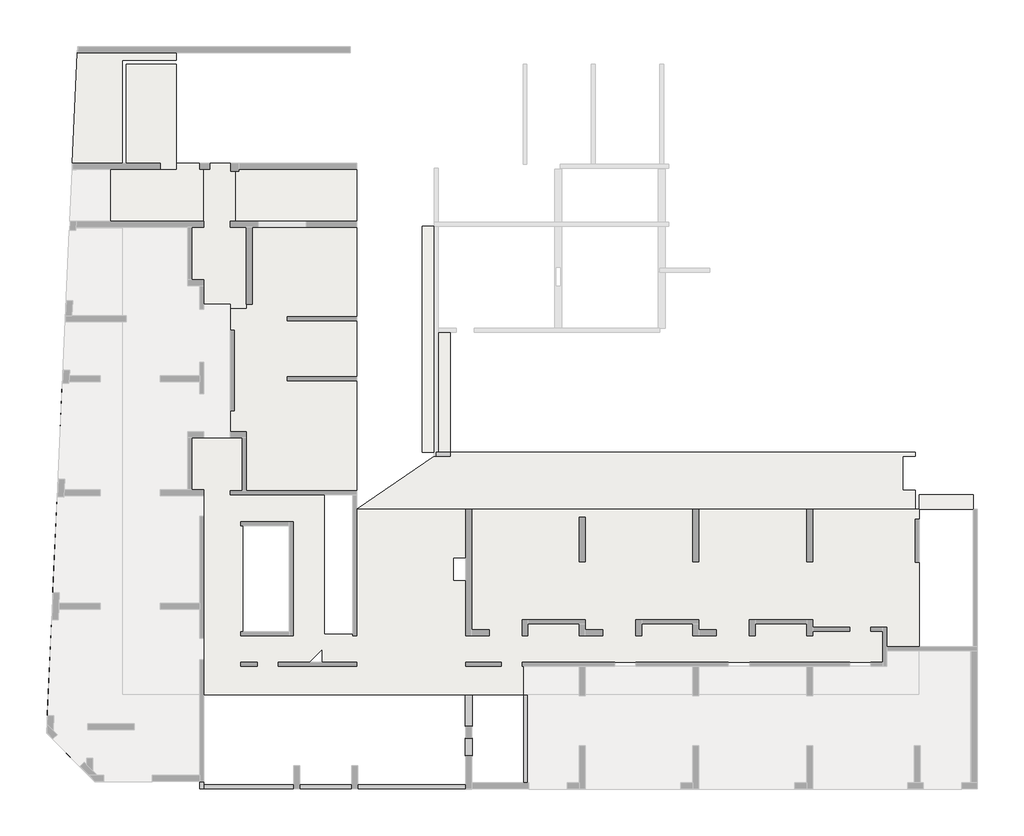
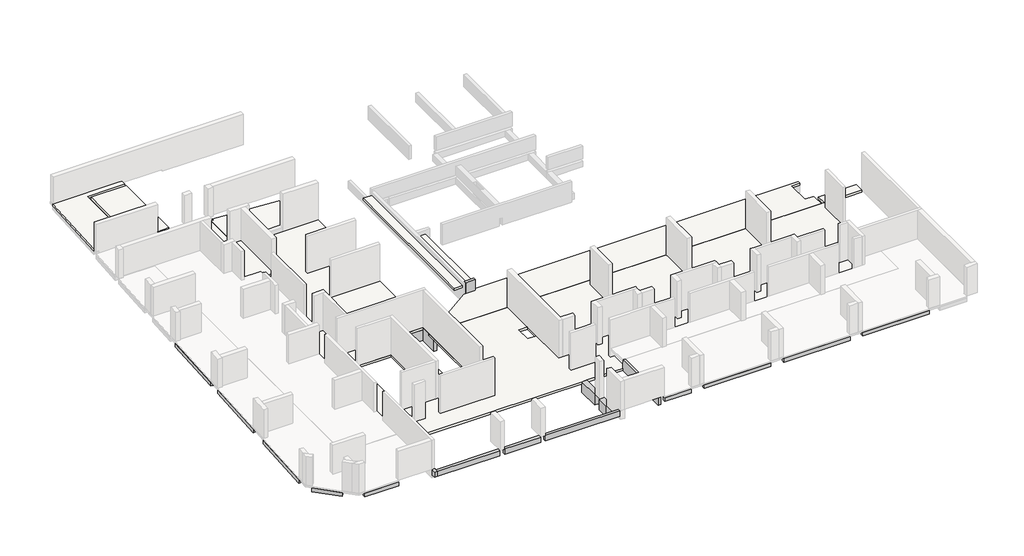
# One storey, part 3 of 4: 24 beams, 9 slabs.
"""IFC4 building model written with IfcOpenShell, lengths in millimetres."""

from ifc_helpers import new_model, si_unit, frame, origin, place, context, project, spatial, polyline, outline, extrude, faceted_brep, element, save

model = new_model("IFC4")

# Units and contexts
model_context = context("Model", 3, world=origin())
ifc_project = project(units=[si_unit("LENGTHUNIT", "METRE", prefix="MILLI")], contexts=[model_context])

# Site, building, storey
site = spatial("IfcSite", under=ifc_project)
building = spatial("IfcBuilding", under=site)
storey = spatial("IfcBuildingStorey", under=building, Elevation=-20.0)

# Beams
placement = place(None, origin())
element("IfcBeam", 1, ObjectType="V. 20/40", at=placement, inside=storey, context=model_context, shape_type="SweptSolid", body=[
    extrude(outline(polyline([(-1485.6912908, -19244.0672499), (-1485.6912908, -19444.0672499), (-6230.6912908, -19444.0672499), (-6230.6912908, -19244.0672499), (-1485.6912908, -19244.0672499)])), frame((0.0, 0.0, -420.0), z_axis=(0.0, 0.0, 1.0), x_axis=(1.0, 0.0, 0.0)), (0.0, 0.0, 1.0), 280.0),
])
element("IfcBeam", 2, ObjectType="V. 20/40", at=placement, inside=storey, context=model_context, shape_type="SweptSolid", body=[
    extrude(outline(polyline([(-7155.6912908, -19244.0672499), (-7155.6912908, -19444.0672499), (-11920.6912908, -19444.0672499), (-11920.6912908, -19244.0672499), (-7155.6912908, -19244.0672499)])), frame((0.0, 0.0, -420.0), z_axis=(0.0, 0.0, 1.0), x_axis=(1.0, 0.0, 0.0)), (0.0, 0.0, 1.0), 280.0),
])
element("IfcBeam", 3, ObjectType="V. 20/40", at=placement, inside=storey, context=model_context, shape_type="SweptSolid", body=[
    extrude(outline(polyline([(-12845.6912908, -19244.0672499), (-12845.6912908, -19444.0672499), (-17610.6912908, -19444.0672499), (-17610.6912908, -19244.0672499), (-12845.6912908, -19244.0672499)])), frame((0.0, 0.0, -420.0), z_axis=(0.0, 0.0, 1.0), x_axis=(1.0, 0.0, 0.0)), (0.0, 0.0, 1.0), 280.0),
])
element("IfcBeam", 4, ObjectType="V. 20/40", at=placement, inside=storey, context=model_context, shape_type="SweptSolid", body=[
    extrude(outline(polyline([(-18535.6912908, -19244.0672499), (-18535.6912908, -19444.0672499), (-20455.6912908, -19444.0672499), (-20455.6912908, -19244.0672499), (-18535.6912908, -19244.0672499)])), frame((0.0, 0.0, -420.0), z_axis=(0.0, 0.0, 1.0), x_axis=(1.0, 0.0, 0.0)), (0.0, 0.0, 1.0), 280.0),
])
element("IfcBeam", 5, ObjectType="V. 20/40", at=placement, inside=storey, context=model_context, shape_type="SweptSolid", body=[
    extrude(outline(polyline([(-39315.6912908, -18874.0672499), (-39315.6912908, -19074.0672499), (-41735.6912908, -19074.0672499), (-41735.6912908, -18874.0672499), (-39315.6912908, -18874.0672499)])), frame((0.0, 0.0, -420.0), z_axis=(0.0, 0.0, 1.0), x_axis=(1.0, 0.0, 0.0)), (0.0, 0.0, 1.0), 280.0),
])
element("IfcBeam", 6, ObjectType="V. 20/40", at=placement, inside=storey, context=model_context, shape_type="SweptSolid", body=[
    extrude(outline(polyline([(-44296.3150093, -16937.9539561), (-44154.0339752, -16797.3975357), (-42790.6438426, -18177.5163334), (-42932.9248767, -18318.0727539), (-44296.3150093, -16937.9539561)])), frame((0.0, 0.0, -420.0), z_axis=(0.0, 0.0, 1.0), x_axis=(1.0, 0.0, 0.0)), (0.0, 0.0, 1.0), 280.0),
])
element("IfcBeam", 7, ObjectType="V. 20/40", at=placement, inside=storey, context=model_context, shape_type="SweptSolid", body=[
    extrude(outline(polyline([(-44356.3664756, -15745.9562418), (-44556.1609952, -15736.892581), (-44339.0863176, -10951.8138372), (-44139.291798, -10960.877498), (-44356.3664756, -15745.9562418)])), frame((0.0, 0.0, -420.0), z_axis=(0.0, 0.0, 1.0), x_axis=(1.0, 0.0, 0.0)), (0.0, 0.0, 1.0), 280.0),
])
element("IfcBeam", 8, ObjectType="V. 20/40", at=placement, inside=storey, context=model_context, shape_type="SweptSolid", body=[
    extrude(outline(polyline([(-44077.6589042, -9602.2747649), (-44277.4534238, -9593.2111041), (-44060.3787462, -4808.1323603), (-43860.5842266, -4817.1960211), (-44077.6589042, -9602.2747649)])), frame((0.0, 0.0, -420.0), z_axis=(0.0, 0.0, 1.0), x_axis=(1.0, 0.0, 0.0)), (0.0, 0.0, 1.0), 280.0),
])
element("IfcBeam", 9, ObjectType="V. 20/40", at=placement, inside=storey, context=model_context, shape_type="SweptSolid", body=[
    extrude(outline(polyline([(-43819.5711612, -3913.1258201), (-44019.3656808, -3904.0621592), (-43802.2910033, 881.0165846), (-43602.4964837, 871.9529237), (-43819.5711612, -3913.1258201)])), frame((0.0, 0.0, -420.0), z_axis=(0.0, 0.0, 1.0), x_axis=(1.0, 0.0, 0.0)), (0.0, 0.0, 1.0), 280.0),
])
element("IfcBeam", 10, ObjectType="V. 20/40", at=placement, inside=storey, context=model_context, shape_type="Brep", body=[
    faceted_brep([(-36735.6912908, -19074.0672499, -20.0), (-36735.6912908, -19074.0672499, -420.0), (-36935.6912908, -19074.0672499, -420.0), (-36935.6912908, -19074.0672499, -20.0), (-36735.6912908, -19219.0672499, -20.0), (-36735.6912908, -19419.0672499, -20.0), (-36735.6912908, -19419.0672499, -420.0), (-36735.6912908, -19219.0672499, -420.0), (-36935.6912908, -19419.0672499, -420.0), (-36935.6912908, -19419.0672499, -20.0)], [[[0, 1, 2, 3]], [[1, 0, 4, 5, 6, 7]], [[2, 1, 7, 6, 8]], [[3, 2, 8, 9]], [[0, 3, 9, 5, 4]], [[6, 5, 9, 8]]]),
])
element("IfcBeam", 11, ObjectType="V. 20/40", at=placement, inside=storey, context=model_context, shape_type="SweptSolid", body=[
    extrude(outline(polyline([(-23650.6912908, -19219.0672499), (-23650.6912908, -19419.0672499), (-28990.6912908, -19419.0672499), (-28990.6912908, -19219.0672499), (-23650.6912908, -19219.0672499)])), frame((0.0, 0.0, -420.0), z_axis=(0.0, 0.0, 1.0), x_axis=(1.0, 0.0, 0.0)), (0.0, 0.0, 1.0), 400.0),
    extrude(outline(polyline([(-36735.6912908, -19419.0672499), (-36735.6912908, -19219.0672499), (-32260.6912908, -19219.0672499), (-32260.6912908, -19419.0672499), (-36735.6912908, -19419.0672499)])), frame((0.0, 0.0, -420.0), z_axis=(0.0, 0.0, 1.0), x_axis=(1.0, 0.0, 0.0)), (0.0, 0.0, 1.0), 400.0),
    extrude(outline(polyline([(-29340.6912908, -19219.0672499), (-29340.6912908, -19419.0672499), (-31910.6912908, -19419.0672499), (-31910.6912908, -19219.0672499), (-29340.6912908, -19219.0672499)])), frame((0.0, 0.0, -420.0), z_axis=(0.0, 0.0, 1.0), x_axis=(1.0, 0.0, 0.0)), (0.0, 0.0, 1.0), 400.0),
])
element("IfcBeam", 12, ObjectType="V. 20/80", at=placement, inside=storey, context=model_context, shape_type="Brep", body=[
    faceted_brep([(-36735.6912908, 360.9327501, -820.0), (-36735.6912908, 360.9327501, -180.0), (-36735.6912908, -1544.0672499, -180.0), (-36735.6912908, -1544.0672499, -670.0), (-36735.6912908, -1544.0672499, -820.0), (-36935.6912908, -1544.0672499, -820.0), (-36935.6912908, 360.9327501, -820.0), (-36935.6912908, 360.9327501, -180.0), (-36935.6912908, -1544.0672499, -670.0), (-36935.6912908, -1544.0672499, -180.0)], [[[0, 1, 2, 3, 4]], [[4, 5, 6, 0]], [[7, 6, 5, 8, 9]], [[9, 2, 1, 7]], [[1, 0, 6, 7]], [[5, 4, 3, 2, 9, 8]]]),
])
element("IfcBeam", 13, ObjectType="V. 20/81", at=placement, inside=storey, context=model_context, shape_type="Brep", body=[
    faceted_brep([(-20715.6912908, -14699.0672499, -20.0), (-20715.6912908, -14699.0672499, -180.0), (-20715.6912908, -14699.0672499, -830.0), (-20715.6912908, -19094.0672499, -830.0), (-20715.6912908, -19094.0672499, -20.0), (-20515.6912908, -14699.0672499, -830.0), (-20515.6912908, -19094.0672499, -830.0), (-20515.6912908, -14699.0672499, -670.0), (-20515.6912908, -14699.0672499, -140.0), (-20515.6912908, -14699.0672499, -20.0), (-20515.6912908, -19094.0672499, -20.0), (-20515.6912908, -19094.0672499, -140.0)], [[[0, 1, 2, 3, 4]], [[2, 5, 6, 3]], [[5, 7, 8, 9, 10, 11, 6]], [[9, 0, 4, 10]], [[0, 9, 8, 7, 5, 2, 1]], [[4, 3, 6, 11, 10]]]),
])
element("IfcBeam", 14, ObjectType="V. 20/98", at=placement, inside=storey, context=model_context, shape_type="Brep", body=[
    faceted_brep([(-30195.6912908, -4489.0672499, -1650.0), (-30195.6912908, -4689.0672499, -1650.0), (-30195.6912908, -4689.0672499, -830.0), (-30195.6912908, -4489.0672499, -830.0), (-29265.6912908, -4689.0672499, -1650.0), (-29065.6912908, -4689.0672499, -1650.0), (-29065.6912908, -4689.0672499, -830.0), (-29365.6912908, -4489.0672499, -1650.0), (-29065.6912908, -4489.0672499, -1650.0), (-29365.6912908, -4489.0672499, -830.0), (-29065.6912908, -4489.0672499, -830.0)], [[[0, 1, 2, 3]], [[1, 4, 5, 6, 2]], [[1, 0, 7, 8, 5, 4]], [[8, 7, 0, 3, 9, 10]], [[3, 2, 6, 10, 9]], [[5, 8, 10, 6]]]),
])
element("IfcBeam", 15, ObjectType="V. 20/98", at=placement, inside=storey, context=model_context, shape_type="Brep", body=[
    faceted_brep([(-29265.6912908, -6039.0672499, -1650.0), (-29065.6912908, -6039.0672499, -1650.0), (-29065.6912908, -6039.0672499, -830.0), (-29265.6912908, -6039.0672499, -830.0), (-29065.6912908, -5719.0672499, -1650.0), (-29065.6912908, -5419.0672499, -1650.0), (-29065.6912908, -4689.0672499, -1650.0), (-29065.6912908, -4689.0672499, -830.0), (-29065.6912908, -4689.0672499, -670.0), (-29065.6912908, -5419.0672499, -670.0), (-29065.6912908, -5419.0672499, -830.0), (-29065.6912908, -5719.0672499, -830.0), (-29265.6912908, -4689.0672499, -1650.0), (-29265.6912908, -5419.0672499, -830.0), (-29265.6912908, -5419.0672499, -670.0), (-29265.6912908, -4689.0672499, -670.0), (-29265.6912908, -4689.0672499, -830.0)], [[[0, 1, 2, 3]], [[2, 1, 4, 5, 6, 7, 8, 9, 10, 11]], [[1, 0, 12, 6, 5, 4]], [[0, 3, 13, 14, 15, 16, 12]], [[9, 8, 15, 14]], [[13, 10, 9, 14]], [[6, 12, 16, 15, 8, 7]], [[10, 13, 3, 2, 11]]]),
])
element("IfcBeam", 16, ObjectType="V. 30/98", at=placement, inside=storey, context=model_context, shape_type="SweptSolid", body=[
    extrude(outline(polyline([(-23625.6912908, -11459.0672499), (-23625.6912908, -11759.0672499), (-29065.6912908, -11759.0672499), (-29065.6912908, -11459.0672499), (-23625.6912908, -11459.0672499)])), frame((0.0, 0.0, -1650.0), z_axis=(0.0, 0.0, 1.0), x_axis=(1.0, 0.0, 0.0)), (0.0, 0.0, 1.0), 820.0),
])
element("IfcBeam", 17, ObjectType="V. 35/80", at=placement, inside=storey, context=model_context, shape_type="Brep", body=[
    faceted_brep([(-37535.6912908, -4764.0672499, -180.0), (-37535.6912908, -4764.0672499, -820.0), (-37535.6912908, -4739.0672499, -820.0), (-37535.6912908, -4739.0672499, -180.0), (-40605.6912908, -4764.0672499, -820.0), (-40605.6912908, -4764.0672499, -180.0), (-40605.6912908, -4414.0672499, -820.0), (-37535.6912908, -4414.0672499, -820.0), (-37535.6912908, -4439.0672499, -820.0), (-38905.6912908, -4439.0672499, -820.0), (-38905.6912908, -4739.0672499, -820.0), (-40605.6912908, -4414.0672499, -180.0), (-37535.6912908, -4414.0672499, -180.0), (-38905.6912908, -4739.0672499, -180.0), (-38905.6912908, -4439.0672499, -180.0), (-37535.6912908, -4439.0672499, -180.0), (-37535.6912908, -4439.0672499, -670.0)], [[[0, 1, 2, 3]], [[4, 1, 0, 5]], [[1, 4, 6, 7, 8, 9, 10, 2]], [[7, 6, 11, 12]], [[11, 5, 0, 3, 13, 14, 15, 12]], [[4, 5, 11, 6]], [[14, 9, 8, 16, 15]], [[10, 13, 3, 2]], [[9, 14, 13, 10]], [[7, 12, 15, 16, 8]]]),
    faceted_brep([(-40805.6912908, -4414.0672499, -140.0), (-40805.6912908, -4764.0672499, -140.0), (-40805.6912908, -4764.0672499, -820.0), (-40805.6912908, -4414.0672499, -820.0), (-41905.6912908, -4414.0672499, -140.0), (-41905.6912908, -4764.0672499, -140.0), (-41905.6912908, -4764.0672499, -820.0), (-41905.6912908, -4414.0672499, -820.0)], [[[0, 1, 2, 3]], [[1, 0, 4, 5]], [[6, 2, 1, 5]], [[3, 2, 6, 7]], [[3, 7, 4, 0]], [[6, 5, 4, 7]]]),
])
element("IfcBeam", 18, ObjectType="V. 35/80", at=placement, inside=storey, context=model_context, shape_type="Brep", body=[
    faceted_brep([(-36935.6912908, -10429.0672499, -180.0), (-36935.6912908, -10454.0672499, -180.0), (-36935.6912908, -10454.0672499, -670.0), (-36935.6912908, -10454.0672499, -820.0), (-36935.6912908, -10429.0672499, -820.0), (-36935.6912908, -10429.0672499, -670.0), (-36935.6912908, -10429.0672499, -360.0), (-40605.6912908, -10454.0672499, -820.0), (-40605.6912908, -10104.0672499, -820.0), (-36935.6912908, -10104.0672499, -820.0), (-36935.6912908, -10129.0672499, -820.0), (-38905.6912908, -10129.0672499, -820.0), (-38905.6912908, -10429.0672499, -820.0), (-40605.6912908, -10104.0672499, -180.0), (-36935.6912908, -10104.0672499, -180.0), (-36935.6912908, -10104.0672499, -670.0), (-40605.6912908, -10454.0672499, -180.0), (-38905.6912908, -10429.0672499, -180.0), (-38905.6912908, -10129.0672499, -180.0), (-36935.6912908, -10129.0672499, -180.0), (-38905.6912908, -10429.0672499, -360.0), (-38905.6912908, -10129.0672499, -360.0), (-36935.6912908, -10129.0672499, -670.0), (-36935.6912908, -10129.0672499, -360.0)], [[[0, 1, 2, 3, 4, 5, 6]], [[7, 8, 9, 10, 11, 12, 4, 3]], [[8, 13, 14, 15, 9]], [[13, 16, 1, 0, 17, 18, 19, 14]], [[17, 0, 6, 5, 4, 12, 20]], [[19, 18, 21, 11, 10, 22, 23]], [[18, 17, 20, 12, 11, 21]], [[7, 16, 13, 8]], [[16, 7, 3, 2, 1]], [[14, 19, 23, 22, 10, 9, 15]]]),
    faceted_brep([(-41905.6912908, -10454.0672499, -140.0), (-41905.6912908, -10454.0672499, -820.0), (-40805.6912908, -10454.0672499, -820.0), (-40805.6912908, -10454.0672499, -140.0), (-40805.6912908, -10104.0672499, -140.0), (-40805.6912908, -10104.0672499, -820.0), (-41905.6912908, -10104.0672499, -140.0), (-41905.6912908, -10104.0672499, -820.0)], [[[0, 1, 2, 3]], [[4, 3, 2, 5]], [[3, 4, 6, 0]], [[1, 0, 6, 7]], [[5, 2, 1, 7]], [[7, 6, 4, 5]]]),
])
element("IfcBeam", 19, ObjectType="V. 35/80", at=placement, inside=storey, context=model_context, shape_type="Brep", body=[
    faceted_brep([(-17960.6912908, -13279.0672499, -180.0), (-17960.6912908, -13279.0672499, -820.0), (-17960.6912908, -14499.0672499, -820.0), (-17960.6912908, -14499.0672499, -180.0), (-17935.6912908, -13279.0672499, -820.0), (-17935.6912908, -14499.0672499, -820.0), (-17935.6912908, -13279.0672499, -180.0), (-17935.6912908, -14499.0672499, -180.0)], [[[0, 1, 2, 3]], [[1, 4, 5, 2]], [[4, 6, 7, 5]], [[4, 1, 0, 6]], [[6, 0, 3, 7]], [[3, 2, 5, 7]]]),
    faceted_brep([(-17610.6912908, -13279.0672499, -820.0), (-17610.6912908, -13279.0672499, -180.0), (-17610.6912908, -14499.0672499, -180.0), (-17610.6912908, -14499.0672499, -820.0), (-17635.6912908, -13279.0672499, -820.0), (-17635.6912908, -13279.0672499, -180.0), (-17635.6912908, -14499.0672499, -820.0), (-17635.6912908, -14499.0672499, -180.0)], [[[0, 1, 2, 3]], [[0, 4, 5, 1]], [[6, 3, 2, 7]], [[4, 0, 3, 6]], [[5, 4, 6, 7]], [[1, 5, 7, 2]]]),
    faceted_brep([(-17960.6912908, -17269.0672499, -140.0), (-17610.6912908, -17269.0672499, -140.0), (-17610.6912908, -14699.0672499, -140.0), (-17635.6912908, -14699.0672499, -140.0), (-17635.6912908, -14749.0672499, -140.0), (-17635.6912908, -14769.0672499, -140.0), (-17935.6912908, -14769.0672499, -140.0), (-17935.6912908, -14749.0672499, -140.0), (-17935.6912908, -14699.0672499, -140.0), (-17960.6912908, -14699.0672499, -140.0), (-17960.6912908, -17269.0672499, -820.0), (-17610.6912908, -17269.0672499, -820.0), (-17635.6912908, -14769.0672499, -820.0), (-17635.6912908, -14699.0672499, -180.0), (-17635.6912908, -14699.0672499, -820.0), (-17935.6912908, -14769.0672499, -820.0), (-17610.6912908, -14699.0672499, -820.0), (-17960.6912908, -14699.0672499, -820.0), (-17935.6912908, -14699.0672499, -820.0), (-17935.6912908, -14699.0672499, -180.0)], [[[0, 1, 2, 3, 4, 5, 6, 7, 8, 9]], [[0, 10, 11, 1]], [[12, 5, 4, 3, 13, 14]], [[12, 15, 6, 5]], [[16, 14, 13, 3, 2]], [[9, 17, 10, 0]], [[15, 12, 14, 16, 11, 10, 17, 18]], [[1, 11, 16, 2]], [[6, 15, 18, 19, 8, 7]], [[9, 8, 19, 18, 17]]]),
])
element("IfcBeam", 20, ObjectType="V. 35/80", at=placement, inside=storey, context=model_context, shape_type="Brep", body=[
    faceted_brep([(-12245.6912908, -13279.0672499, -820.0), (-12270.6912908, -13279.0672499, -820.0), (-12270.6912908, -13279.0672499, -180.0), (-12245.6912908, -13279.0672499, -180.0), (-12245.6912908, -14499.0672499, -180.0), (-12245.6912908, -14499.0672499, -820.0), (-12270.6912908, -14499.0672499, -180.0), (-12270.6912908, -14499.0672499, -820.0)], [[[0, 1, 2, 3]], [[0, 3, 4, 5]], [[3, 2, 6, 4]], [[2, 1, 7, 6]], [[1, 0, 5, 7]], [[6, 7, 5, 4]]]),
    faceted_brep([(-12270.6912908, -14699.0672499, -140.0), (-12270.6912908, -14699.0672499, -820.0), (-12270.6912908, -17269.0672499, -820.0), (-12270.6912908, -17269.0672499, -140.0), (-12245.6912908, -14769.0672499, -820.0), (-11945.6912908, -14769.0672499, -820.0), (-11945.6912908, -14699.0672499, -820.0), (-11920.6912908, -14699.0672499, -820.0), (-11920.6912908, -17269.0672499, -820.0), (-12245.6912908, -14699.0672499, -820.0), (-11920.6912908, -17269.0672499, -140.0), (-11920.6912908, -14699.0672499, -140.0), (-11945.6912908, -14699.0672499, -140.0), (-11945.6912908, -14749.0672499, -140.0), (-11945.6912908, -14769.0672499, -140.0), (-12245.6912908, -14769.0672499, -140.0), (-12245.6912908, -14749.0672499, -140.0), (-12245.6912908, -14699.0672499, -140.0), (-11945.6912908, -14699.0672499, -180.0), (-12245.6912908, -14699.0672499, -180.0)], [[[0, 1, 2, 3]], [[4, 5, 6, 7, 8, 2, 1, 9]], [[3, 10, 11, 12, 13, 14, 15, 16, 17, 0]], [[3, 2, 8, 10]], [[5, 14, 13, 12, 18, 6]], [[5, 4, 15, 14]], [[7, 6, 18, 12, 11]], [[10, 8, 7, 11]], [[15, 4, 9, 19, 17, 16]], [[0, 17, 19, 9, 1]]]),
    faceted_brep([(-11920.6912908, -13279.0672499, -820.0), (-11920.6912908, -13279.0672499, -180.0), (-11920.6912908, -14499.0672499, -180.0), (-11920.6912908, -14499.0672499, -820.0), (-11945.6912908, -13279.0672499, -820.0), (-11945.6912908, -13279.0672499, -180.0), (-11945.6912908, -14499.0672499, -820.0), (-11945.6912908, -14499.0672499, -180.0)], [[[0, 1, 2, 3]], [[0, 4, 5, 1]], [[6, 3, 2, 7]], [[4, 0, 3, 6]], [[5, 4, 6, 7]], [[1, 5, 7, 2]]]),
])
element("IfcBeam", 21, ObjectType="V. 35/80", at=placement, inside=storey, context=model_context, shape_type="Brep", body=[
    faceted_brep([(-6555.6912908, -13279.0672499, -820.0), (-6580.6912908, -13279.0672499, -820.0), (-6580.6912908, -13279.0672499, -180.0), (-6555.6912908, -13279.0672499, -180.0), (-6555.6912908, -14499.0672499, -180.0), (-6555.6912908, -14499.0672499, -820.0), (-6580.6912908, -14499.0672499, -180.0), (-6580.6912908, -14499.0672499, -820.0)], [[[0, 1, 2, 3]], [[0, 3, 4, 5]], [[3, 2, 6, 4]], [[2, 1, 7, 6]], [[1, 0, 5, 7]], [[6, 7, 5, 4]]]),
    faceted_brep([(-6580.6912908, -14699.0672499, -140.0), (-6580.6912908, -14699.0672499, -820.0), (-6580.6912908, -17269.0672499, -820.0), (-6580.6912908, -17269.0672499, -140.0), (-6555.6912908, -14769.0672499, -820.0), (-6255.6912908, -14769.0672499, -820.0), (-6255.6912908, -14699.0672499, -820.0), (-6230.6912908, -14699.0672499, -820.0), (-6230.6912908, -17269.0672499, -820.0), (-6555.6912908, -14699.0672499, -820.0), (-6230.6912908, -17269.0672499, -140.0), (-6230.6912908, -14699.0672499, -140.0), (-6255.6912908, -14699.0672499, -140.0), (-6255.6912908, -14749.0672499, -140.0), (-6255.6912908, -14769.0672499, -140.0), (-6555.6912908, -14769.0672499, -140.0), (-6555.6912908, -14749.0672499, -140.0), (-6555.6912908, -14699.0672499, -140.0), (-6255.6912908, -14699.0672499, -180.0), (-6555.6912908, -14699.0672499, -180.0)], [[[0, 1, 2, 3]], [[4, 5, 6, 7, 8, 2, 1, 9]], [[3, 10, 11, 12, 13, 14, 15, 16, 17, 0]], [[3, 2, 8, 10]], [[5, 14, 13, 12, 18, 6]], [[5, 4, 15, 14]], [[7, 6, 18, 12, 11]], [[10, 8, 7, 11]], [[15, 4, 9, 19, 17, 16]], [[0, 17, 19, 9, 1]]]),
    faceted_brep([(-6230.6912908, -13279.0672499, -820.0), (-6230.6912908, -13279.0672499, -180.0), (-6230.6912908, -14499.0672499, -180.0), (-6230.6912908, -14499.0672499, -820.0), (-6255.6912908, -13279.0672499, -820.0), (-6255.6912908, -13279.0672499, -180.0), (-6255.6912908, -14499.0672499, -820.0), (-6255.6912908, -14499.0672499, -180.0)], [[[0, 1, 2, 3]], [[0, 4, 5, 1]], [[6, 3, 2, 7]], [[4, 0, 3, 6]], [[5, 4, 6, 7]], [[1, 5, 7, 2]]]),
])
element("IfcBeam", 22, ObjectType="V. 35/80", at=placement, inside=storey, context=model_context, shape_type="SweptSolid", body=[
    extrude(outline(polyline([(-23300.6912908, -17759.0672499), (-23650.6912908, -17759.0672499), (-23650.6912908, -16879.0672499), (-23300.6912908, -16879.0672499), (-23300.6912908, -17759.0672499)])), frame((0.0, 0.0, -1470.0), z_axis=(0.0, 0.0, 1.0), x_axis=(1.0, 0.0, 0.0)), (0.0, 0.0, 1.0), 800.0),
])
element("IfcBeam", 23, ObjectType="V. 35/80", at=placement, inside=storey, context=model_context, shape_type="Brep", body=[
    faceted_brep([(-23650.6912908, -16289.0672499, -670.0), (-23650.6912908, -16289.0672499, -1470.0), (-23300.6912908, -16289.0672499, -1470.0), (-23300.6912908, -16289.0672499, -670.0), (-23650.6912908, -16219.0672499, -670.0), (-23650.6912908, -14699.0672499, -670.0), (-23650.6912908, -14699.0672499, -790.0), (-23650.6912908, -14699.0672499, -1470.0), (-23300.6912908, -14699.0672499, -1470.0), (-23300.6912908, -14699.0672499, -670.0)], [[[0, 1, 2, 3]], [[1, 0, 4, 5, 6, 7]], [[2, 1, 7, 8]], [[3, 2, 8, 9]], [[0, 3, 9, 5, 4]], [[7, 6, 5, 9, 8]]]),
])
element("IfcBeam", 24, ObjectType="VSI. 20/155", at=placement, inside=storey, context=model_context, shape_type="Brep", body=[
    faceted_brep([(-24395.6912908, -2769.0672499, -1450.0), (-24395.6912908, -2569.0672499, -1450.0), (-24395.6912908, -2569.0672499, -889.9176391), (-24395.6912908, -2569.0672499, -709.9), (-24395.6912908, -2569.0672499, -350.0), (-24395.6912908, -2569.0672499, -200.0), (-24395.6912908, -2569.0672499, 100.0), (-24395.6912908, -2769.0672499, 100.0), (-24395.6912908, -2769.0672499, -707.1), (-24395.6912908, -2769.0672499, -887.1176391), (-25095.6912908, -2769.0672499, 100.0), (-25095.6912908, -2569.0672499, 100.0), (-25095.6912908, -2569.0672499, -1450.0), (-25095.6912908, -2769.0672499, -1450.0), (-25095.6912908, -2769.0672499, -887.1176391), (-25095.6912908, -2769.0672499, -707.1), (-24995.6912908, -2569.0672499, -1450.0), (-24995.6912908, -2569.0672499, 100.0)], [[[0, 1, 2, 3, 4, 5, 6, 7, 8, 9]], [[10, 11, 12, 13, 14, 15]], [[7, 10, 15, 14, 13, 0, 9, 8]], [[1, 0, 13, 12, 16]], [[12, 11, 17, 6, 5, 4, 3, 2, 1, 16]], [[7, 6, 17, 11, 10]]]),
])

# Slabs
element("IfcSlab", 25, at=placement, inside=storey, context=model_context, shape_type="Brep", body=[
    faceted_brep([(-43051.5055079, 17430.9327501, -30.0), (-38105.6912908, 17430.9327501, -30.0), (-38105.6912908, 17050.9327501, -30.0), (-40805.6912908, 17050.9327501, -30.0), (-40805.6912908, 11925.9327501, -30.0), (-43101.0336583, 11925.9327501, -30.0), (-43301.2393501, 11925.9327501, -30.0), (-43052.6396307, 17405.9327501, -30.0), (-43051.5055079, 17430.9327501, 130.0), (-43301.2393501, 11925.9327501, 130.0), (-43101.0336583, 11925.9327501, 130.0), (-40805.6912908, 11925.9327501, 130.0), (-40805.6912908, 17050.9327501, 130.0), (-38105.6912908, 17050.9327501, 130.0), (-38105.6912908, 17430.9327501, 130.0), (-43026.4797964, 17430.9327501, 130.0), (-43051.5055079, 17430.9327501, -20.0), (-43301.2393501, 11925.9327501, -20.0)], [[[0, 1, 2, 3, 4, 5, 6, 7]], [[8, 9, 10, 11, 12, 13, 14, 15]], [[1, 0, 16, 8, 15, 14]], [[3, 2, 13, 12]], [[4, 3, 12, 11]], [[6, 5, 4, 11, 10, 9, 17]], [[0, 7, 6, 17, 9, 8, 16]], [[2, 1, 14, 13]]]),
])
element("IfcSlab", 26, at=placement, inside=storey, context=model_context, shape_type="SweptSolid", body=[
    extrude(outline(polyline([(-4689.0672499, -840.2356792), (-5419.0672499, -830.0156792), (-5419.0672499, -670.0), (-4689.0672499, -680.22), (-4689.0672499, -840.2356792)])), frame((-925.6912908, 0.0, 0.0), z_axis=(1.0, 0.0, 0.0), x_axis=(0.0, 1.0, 0.0)), (0.0, 0.0, 1.0), 2720.0),
])
element("IfcSlab", 27, ObjectType="LHA15", at=placement, inside=storey, context=model_context, shape_type="SweptSolid", body=[
    extrude(outline(polyline([(-24395.6912908, 3440.9327501), (-24395.6912908, -2569.0672499), (-24995.6912908, -2569.0672499), (-24995.6912908, 3440.9327501), (-24395.6912908, 3440.9327501)])), frame((0.0, 0.0, -350.0), z_axis=(0.0, 0.0, 1.0), x_axis=(1.0, 0.0, 0.0)), (0.0, 0.0, 1.0), 150.0),
    extrude(outline(polyline([(-25795.6912908, -2569.0672499), (-25795.6912908, 8730.9327501), (-25195.6912908, 8730.9327501), (-25195.6912908, -2569.0672499), (-25795.6912908, -2569.0672499)])), frame((0.0, 0.0, -350.0), z_axis=(0.0, 0.0, 1.0), x_axis=(1.0, 0.0, 0.0)), (0.0, 0.0, 1.0), 150.0),
])
element("IfcSlab", 28, ObjectType="LHA16", at=placement, inside=storey, context=model_context, shape_type="Brep", body=[
    faceted_brep([(-925.6912908, -12319.0672499, -830.0), (-2735.6912908, -12319.0672499, -830.0), (-2735.6912908, -13079.0672499, -830.0), (-20515.6912908, -13079.0672499, -830.0), (-20515.6912908, -14699.0672499, -830.0), (-20715.6912908, -14699.0672499, -830.0), (-36935.6912908, -14699.0672499, -830.0), (-36935.6912908, -4739.0672499, -830.0), (-36735.6912908, -4739.0672499, -830.0), (-36735.6912908, -4439.0672499, -830.0), (-37535.6912908, -4439.0672499, -830.0), (-37535.6912908, -1544.0672499, -830.0), (-35405.6912908, -1544.0672499, -830.0), (-35405.6912908, 4820.9327501, -830.0), (-34605.6912908, 4820.9327501, -830.0), (-34605.6912908, 8980.9327501, -830.0), (-34005.6912908, 8980.9327501, -830.0), (-31605.6912908, 8980.9327501, -830.0), (-30205.6912908, 8980.9327501, -830.0), (-29365.6912908, 8980.9327501, -830.0), (-29070.550804, 8980.9327501, -830.0), (-29065.6912908, 8980.9327501, -830.0), (-29065.6912908, -4489.0672499, -830.0), (-29065.6912908, -4689.0672499, -830.0), (-30195.6912908, -4689.0672499, -830.0), (-30695.6912908, -4689.0672499, -830.0), (-30695.6912908, -11679.0672499, -830.0), (-29265.6912908, -11679.0672499, -830.0), (-29265.6912908, -6039.0672499, -830.0), (-29265.6912908, -5419.0672499, -830.0), (-29065.6912908, -5419.0672499, -830.0), (-1125.6912908, -5419.0672499, -830.0), (-925.6912908, -5419.0672499, -830.0), (-34745.6912908, -6244.0672499, -830.0), (-34745.6912908, -11559.0672499, -830.0), (-32445.6912908, -11559.0672499, -830.0), (-32445.6912908, -6244.0672499, -830.0), (-30815.6912908, -12479.0672499, -830.0), (-31415.6912908, -13079.0672499, -830.0), (-30815.6912908, -13079.0672499, -830.0), (-24225.6912908, -7879.1017012, -830.0), (-24225.6912908, -8979.0956987, -830.0), (-23625.6912908, -8979.0956987, -830.0), (-23625.6912908, -8059.0672499, -830.0), (-23625.6912908, -7879.1017012, -830.0), (-925.6912908, -12319.0672499, -670.0), (-925.6912908, -5419.0672499, -670.0), (-29065.6912908, -5419.0672499, -670.0), (-29265.6912908, -5419.0672499, -670.0), (-29265.6912908, -11679.0672499, -670.0), (-30695.6912908, -11679.0672499, -670.0), (-30695.6912908, -4689.0672499, -670.0), (-29265.6912908, -4689.0672499, -670.0), (-29065.6912908, -4689.0672499, -670.0), (-29065.6912908, 8980.9327501, -670.0), (-31605.6912908, 8980.9327501, -670.0), (-34005.6912908, 8980.9327501, -670.0), (-34605.6912908, 8980.9327501, -670.0), (-34605.6912908, 4820.9327501, -670.0), (-35405.6912908, 4820.9327501, -670.0), (-35405.6912908, -1544.0672499, -670.0), (-37535.6912908, -1544.0672499, -670.0), (-37535.6912908, -4439.0672499, -670.0), (-36735.6912908, -4439.0672499, -670.0), (-36735.6912908, -4739.0672499, -670.0), (-36935.6912908, -4739.0672499, -670.0), (-36935.6912908, -14699.0672499, -670.0), (-23650.6912908, -14699.0672499, -670.0), (-23300.6912908, -14699.0672499, -670.0), (-20515.6912908, -14699.0672499, -670.0), (-20515.6912908, -13079.0672499, -670.0), (-2735.6912908, -13079.0672499, -670.0), (-2735.6912908, -12319.0672499, -670.0), (-34745.6912908, -6244.0672499, -670.0), (-32445.6912908, -6244.0672499, -670.0), (-32445.6912908, -11559.0672499, -670.0), (-34745.6912908, -11559.0672499, -670.0), (-30815.6912908, -12479.0672499, -670.0), (-30815.6912908, -13079.0672499, -670.0), (-31415.6912908, -13079.0672499, -670.0), (-24225.6912908, -7879.1017012, -670.0), (-23625.6912908, -7879.1017012, -670.0), (-23625.6912908, -8979.0956987, -670.0), (-24225.6912908, -8979.0956987, -670.0), (-37535.6912908, -4439.0672499, -820.0)], [[[0, 1, 2, 3, 4, 5, 6, 7, 8, 9, 10, 11, 12, 13, 14, 15, 16, 17, 18, 19, 20, 21, 22, 23, 24, 25, 26, 27, 28, 29, 30, 31, 32], [33, 34, 35, 36], [37, 38, 39], [40, 41, 42, 43, 44]], [[45, 46, 47, 48, 49, 50, 51, 52, 53, 54, 55, 56, 57, 58, 59, 60, 61, 62, 63, 64, 65, 66, 67, 68, 69, 70, 71, 72], [73, 74, 75, 76], [77, 78, 79], [80, 81, 82, 83]], [[0, 32, 46, 45]], [[1, 0, 45, 72]], [[2, 1, 72, 71]], [[3, 2, 71, 70]], [[4, 3, 70, 69]], [[6, 5, 4, 69, 68, 67, 66]], [[9, 8, 64, 63]], [[10, 9, 63, 62, 84]], [[11, 10, 84, 62, 61]], [[12, 11, 61, 60]], [[13, 12, 60, 59]], [[14, 13, 59, 58]], [[15, 14, 58, 57]], [[34, 33, 73, 76]], [[35, 34, 76, 75]], [[36, 35, 75, 74]], [[27, 26, 50, 49]], [[29, 28, 27, 49, 48]], [[33, 36, 74, 73]], [[26, 25, 51, 50]], [[21, 20, 19, 18, 17, 16, 15, 57, 56, 55, 54]], [[23, 22, 21, 54, 53]], [[32, 31, 30, 29, 48, 47, 46]], [[25, 24, 23, 53, 52, 51]], [[38, 37, 77, 79]], [[39, 38, 79, 78]], [[37, 39, 78, 77]], [[7, 6, 66, 65]], [[8, 7, 65, 64]], [[41, 40, 80, 83]], [[42, 41, 83, 82]], [[44, 43, 42, 82, 81]], [[40, 44, 81, 80]]]),
])
element("IfcSlab", 29, ObjectType="LHA16", at=placement, inside=storey, context=model_context, shape_type="SweptSolid", body=[
    extrude(outline(polyline([(-38105.6912908, 16850.9327501), (-38105.6912908, 11600.9327501), (-38895.6912908, 11600.9327501), (-38895.6912908, 11900.9327501), (-40605.6912908, 11900.9327501), (-40605.6912908, 16850.9327501), (-38105.6912908, 16850.9327501)])), frame((0.0, 0.0, -30.0), z_axis=(0.0, 0.0, 1.0), x_axis=(1.0, 0.0, 0.0)), (0.0, 0.0, 1.0), 160.0),
])
element("IfcSlab", 30, ObjectType="LHA16", at=placement, inside=storey, context=model_context, shape_type="Brep", body=[
    faceted_brep([(-35155.6912908, 8980.9327501, -460.0), (-35405.6912908, 8980.9327501, -460.0), (-35405.6912908, 8680.9327501, -460.0), (-34605.6912908, 8680.9327501, -460.0), (-34605.6912908, 4620.9327501, -460.0), (-36735.6912908, 4620.9327501, -460.0), (-36735.6912908, 6060.9327501, -460.0), (-37535.6912908, 6060.9327501, -460.0), (-37535.6912908, 8680.9327501, -460.0), (-36735.6912908, 8680.9327501, -460.0), (-36735.6912908, 11600.9327501, -460.0), (-36435.6912908, 11600.9327501, -460.0), (-36435.6912908, 11900.9327501, -460.0), (-35365.6912908, 11900.9327501, -460.0), (-35365.6912908, 11500.9327501, -460.0), (-35155.6912908, 11500.9327501, -460.0), (-35155.6912908, 8980.9327501, -300.0), (-35155.6912908, 11500.9327501, -300.0), (-35365.6912908, 11500.9327501, -300.0), (-35365.6912908, 11900.9327501, -300.0), (-36435.6912908, 11900.9327501, -300.0), (-36435.6912908, 11600.9327501, -300.0), (-36735.6912908, 11600.9327501, -300.0), (-36735.6912908, 8680.9327501, -300.0), (-37535.6912908, 8680.9327501, -300.0), (-37535.6912908, 6060.9327501, -300.0), (-36735.6912908, 6060.9327501, -300.0), (-36735.6912908, 4620.9327501, -300.0), (-34605.6912908, 4620.9327501, -300.0), (-34605.6912908, 8680.9327501, -300.0), (-35405.6912908, 8680.9327501, -300.0), (-35405.6912908, 8980.9327501, -300.0), (-35155.6912908, 11500.9327501, -312.0), (-35155.6912908, 8980.9327501, -312.0)], [[[0, 1, 2, 3, 4, 5, 6, 7, 8, 9, 10, 11, 12, 13, 14, 15]], [[16, 17, 18, 19, 20, 21, 22, 23, 24, 25, 26, 27, 28, 29, 30, 31]], [[13, 12, 20, 19]], [[0, 15, 32, 17, 16, 33]], [[4, 3, 29, 28]], [[5, 4, 28, 27]], [[6, 5, 27, 26]], [[7, 6, 26, 25]], [[8, 7, 25, 24]], [[11, 10, 22, 21]], [[12, 11, 21, 20]], [[14, 13, 19, 18]], [[15, 14, 18, 17, 32]], [[1, 0, 33, 16, 31]], [[2, 1, 31, 30]], [[3, 2, 30, 29]], [[9, 8, 24, 23]], [[10, 9, 23, 22]]]),
])
element("IfcSlab", 31, ObjectType="LHA16", at=placement, inside=storey, context=model_context, shape_type="Brep", body=[
    faceted_brep([(-29065.6912908, 8980.9327501, -830.2954584), (-29070.550804, 8980.9327501, -830.0), (-29365.6912908, 8980.9327501, -812.0554584), (-35155.6912908, 8980.9327501, -460.0234584), (-35155.6912908, 11500.9327501, -460.0234584), (-34975.6912908, 11500.9327501, -470.9674584), (-34975.6912908, 11600.9327501, -470.9674584), (-29365.6912908, 11600.9327501, -812.0554584), (-29065.6912908, 11600.9327501, -830.2954584), (-29065.6912908, 8980.9327501, -670.0), (-29065.6912908, 11600.9327501, -670.0), (-34975.6912908, 11600.9327501, -310.672), (-34975.6912908, 11500.9327501, -310.672), (-35155.6912908, 11500.9327501, -299.728), (-35155.6912908, 8980.9327501, -299.728), (-29065.6912908, 8980.9327501, -830.0)], [[[0, 1, 2, 3, 4, 5, 6, 7, 8]], [[9, 10, 11, 12, 13, 14]], [[3, 2, 1, 0, 15, 9, 14]], [[4, 3, 14, 13]], [[5, 4, 13, 12]], [[6, 5, 12, 11]], [[8, 7, 6, 11, 10]], [[0, 8, 10, 9, 15]]]),
])
element("IfcSlab", 32, ObjectType="LHA16", at=placement, inside=storey, context=model_context, shape_type="Brep", body=[
    faceted_brep([(-38895.6912908, 11600.9327501, -330.6877413), (-38895.6912908, 11900.9327501, -330.6877413), (-36935.6912908, 11900.9327501, -448.2877413), (-36935.6912908, 11600.9327501, -448.2877413), (-36735.6912908, 11600.9327501, -460.2877413), (-36735.6912908, 8980.9327501, -460.2877413), (-36935.6912908, 8980.9327501, -448.2877413), (-41405.6912908, 8980.9327501, -180.0877413), (-41405.6912908, 11575.9327501, -180.0877413), (-40805.6912908, 11575.9327501, -216.0877413), (-40805.6912908, 11600.9327501, -216.0877413), (-38895.6912908, 11600.9327501, -170.4), (-40805.6912908, 11600.9327501, -55.8), (-40805.6912908, 11575.9327501, -55.8), (-41405.6912908, 11575.9327501, -19.8), (-41405.6912908, 8980.9327501, -19.8), (-36735.6912908, 8980.9327501, -300.0), (-36735.6912908, 11600.9327501, -300.0), (-36935.6912908, 11600.9327501, -288.0), (-36935.6912908, 11900.9327501, -288.0), (-38895.6912908, 11900.9327501, -170.4), (-41405.6912908, 8980.9327501, -140.0), (-41405.6912908, 11575.9327501, -140.0)], [[[0, 1, 2, 3, 4, 5, 6, 7, 8, 9, 10]], [[11, 12, 13, 14, 15, 16, 17, 18, 19, 20]], [[3, 2, 19, 18]], [[4, 3, 18, 17]], [[5, 4, 17, 16]], [[7, 6, 5, 16, 15, 21]], [[8, 7, 21, 15, 14, 22]], [[9, 8, 22, 14, 13]], [[10, 9, 13, 12]], [[0, 10, 12, 11]], [[1, 0, 11, 20]], [[2, 1, 20, 19]]]),
])
element("IfcSlab", 33, ObjectType="LHA18", at=placement, inside=storey, context=model_context, shape_type="Brep", body=[
    faceted_brep([(-29065.6912908, -5419.0672499, -850.0176391), (-25195.6912908, -2769.0672499, -887.1176391), (-24395.6912908, -2769.0672499, -887.1176391), (-24395.6912908, -2569.0672499, -889.9176391), (-1125.6912908, -2569.0672499, -889.9176391), (-1125.6912908, -2769.0672499, -887.1176391), (-1755.6912908, -2769.0672499, -887.1176391), (-1755.6912908, -4486.6017012, -863.0721568), (-1125.6912908, -4486.6017012, -863.0721568), (-1125.6912908, -5419.0672499, -850.0176391), (-29065.6912908, -5419.0672499, -670.0), (-1125.6912908, -5419.0672499, -670.0), (-1125.6912908, -4486.6017012, -683.0545177), (-1755.6912908, -4486.6017012, -683.0545177), (-1755.6912908, -2769.0672499, -707.1), (-1125.6912908, -2769.0672499, -707.1), (-1125.6912908, -2569.0672499, -709.9), (-24395.6912908, -2569.0672499, -709.9), (-24395.6912908, -2769.0672499, -707.1), (-25195.6912908, -2769.0672499, -707.1), (-1125.6912908, -5419.0672499, -830.0)], [[[0, 1, 2, 3, 4, 5, 6, 7, 8, 9]], [[10, 11, 12, 13, 14, 15, 16, 17, 18, 19]], [[1, 0, 10, 19]], [[2, 1, 19, 18]], [[3, 2, 18, 17]], [[4, 3, 17, 16]], [[9, 8, 12, 11, 20]], [[0, 9, 20, 11, 10]], [[5, 4, 16, 15]], [[6, 5, 15, 14]], [[7, 6, 14, 13]], [[8, 7, 13, 12]]]),
])

save(model, "model.ifc")
